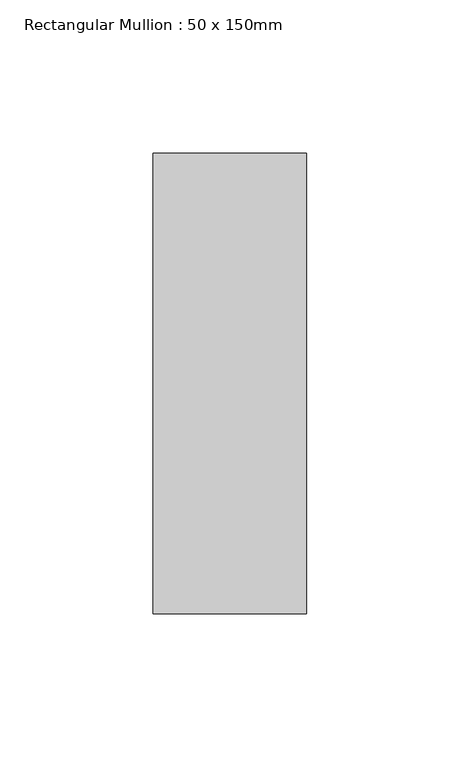
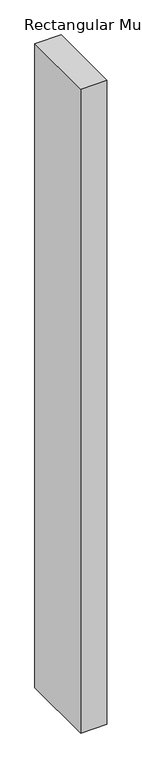
"""IFC4 building model written with IfcOpenShell, lengths in millimetres: member geometry, Rectangular Mullion : 50 x 150mm."""

from ifc_helpers import new_model, si_unit, frame, origin, place, context, project, spatial, polyline, outline, extrude, source, transform, mapped, element, save


def rectangular_mullion_50_x_150mm_dd630c54(model_context):
    return source(origin(), model_context, "Body", "SweptSolid", [
        extrude(outline(polyline([(0.0, 75.0), (0.0, -75.0), (-50.0, -75.0), (-50.0, 75.0), (0.0, 75.0)])), frame((0.0, 0.0, -1290.625), z_axis=(0.0, 0.0, 1.0), x_axis=(1.0, 0.0, 0.0)), (0.0, 0.0, 1.0), 1290.625),
    ])


if __name__ == "__main__":
    model = new_model("IFC4")
    model_context = context("Model", 3, world=origin())
    ifc_project = project(units=[si_unit("LENGTHUNIT", "METRE", prefix="MILLI")], contexts=[model_context])
    site = spatial("IfcSite", under=ifc_project)
    building = spatial("IfcBuilding", under=site)
    placement = place(None, origin())
    rectangular_mullion_50_x_150mm_shape = rectangular_mullion_50_x_150mm_dd630c54(model_context)
    element("IfcMember", 1, ObjectType="Rectangular Mullion : 50 x 150mm", at=placement, inside=building, context=model_context, shape_type="MappedRepresentation", body=[
        mapped(rectangular_mullion_50_x_150mm_shape, transform((0.0, 0.0, 0.0), x_axis=(1.0, 0.0, 0.0), y_axis=(0.0, 1.0, 0.0), z_axis=(0.0, 0.0, 1.0))),
    ])
    save(model, "model.ifc")
